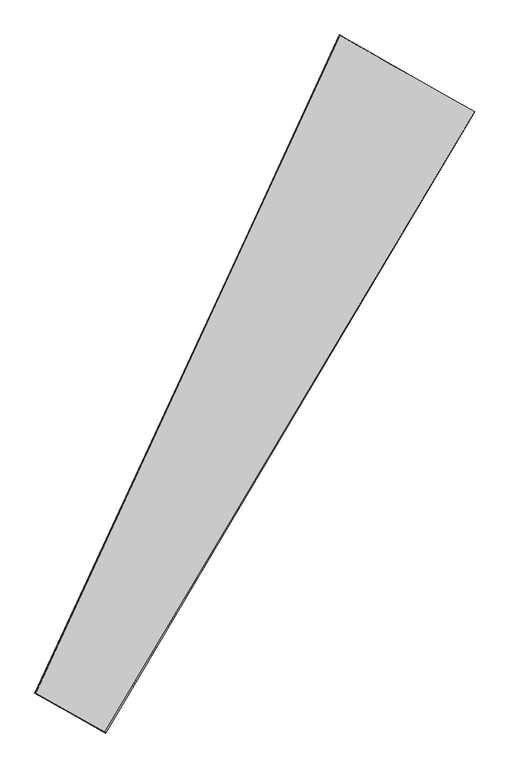
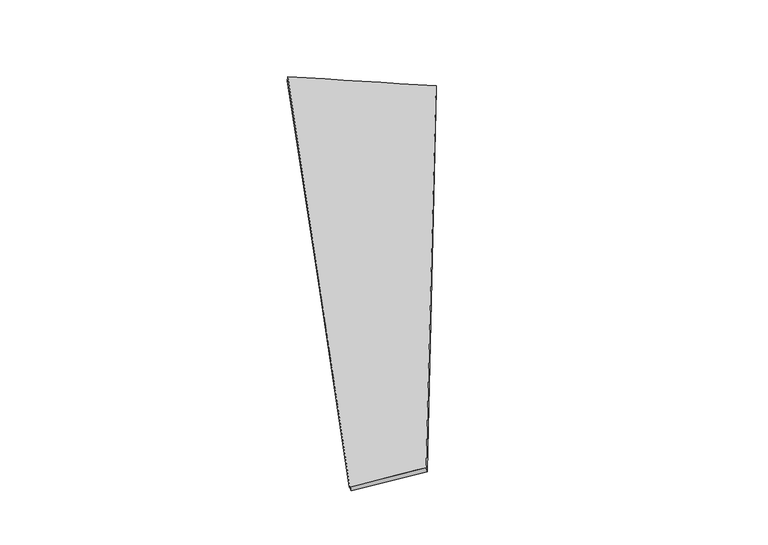
"""IFC4 building model written with IfcOpenShell, lengths in millimetres: proxy geometry."""

from ifc_helpers import new_model, si_unit, origin, place, context, project, spatial, source, transform, mapped, element, save
from ifc_brep_helpers import spline_surface, advanced_brep


def generic_models_ee1f4f6f(model_context):
    return source(origin(), model_context, "Body", "AdvancedBrep", [
        advanced_brep(
        [(-666.1823813, -1687.6620325, 66.8178886), (-660.4197896, -1691.9614198, 37.6921645), (1382.1005388, 1747.1803271, -64.4747105), (1384.0264006, 1746.9141689, -34.5377732), (-1044.5380896, -1474.2869047, -95.0354743), (633.7687993, 2173.3676603, 4.6434589), (-1053.9397998, -1470.7101442, -66.7721654), (636.0957804, 2171.4580079, 34.4920499)],
        [
            (0, 1),
            (1, 2),
            (2, 3),
            (3, 0),
            (1, 4),
            (4, 5),
            (5, 2),
            (4, 6),
            (6, 7),
            (7, 5),
            (6, 0),
            (3, 7),
        ],
        [
            spline_surface(1, 1, [[(-666.1823813, -1687.6620325, 66.8178886), (1384.0264006, 1746.9141689, -34.5377732)], [(-660.4197896, -1691.9614198, 37.6921645), (1382.1005388, 1747.1803271, -64.4747105)]], [2, 2], [2, 2], [0.0, 1.0], [0.0, 1.0]),
            spline_surface(1, 1, [[(-660.4197896, -1691.9614198, 37.6921645), (1382.1005388, 1747.1803271, -64.4747105)], [(-1044.5380896, -1474.2869047, -95.0354743), (633.7687993, 2173.3676603, 4.6434589)]], [2, 2], [2, 2], [0.0, 1.0], [0.0, 1.0]),
            spline_surface(1, 1, [[(-1044.5380896, -1474.2869047, -95.0354743), (633.7687993, 2173.3676603, 4.6434589)], [(-1053.9397998, -1470.7101442, -66.7721654), (636.0957804, 2171.4580079, 34.4920499)]], [2, 2], [2, 2], [0.0, 1.0], [0.0, 1.0]),
            spline_surface(1, 1, [[(-1053.9397998, -1470.7101442, -66.7721654), (636.0957804, 2171.4580079, 34.4920499)], [(-666.1823813, -1687.6620325, 66.8178886), (1384.0264006, 1746.9141689, -34.5377732)]], [2, 2], [2, 2], [0.0, 1.0], [0.0, 1.0]),
            spline_surface(1, 1, [[(1382.1005388, 1747.1803271, -64.4747105), (1384.0264006, 1746.9141689, -34.5377732)], [(633.7687993, 2173.3676603, 4.6434589), (636.0957804, 2171.4580079, 34.4920499)]], [2, 2], [2, 2], [0.0, 1.0], [0.0, 1.0]),
            spline_surface(1, 1, [[(-1053.9397998, -1470.7101442, -66.7721654), (-666.1823813, -1687.6620325, 66.8178886)], [(-1044.5380896, -1474.2869047, -95.0354743), (-660.4197896, -1691.9614198, 37.6921645)]], [2, 2], [2, 2], [0.0, 1.0], [0.0, 1.0]),
        ],
        [
            (0, [[1, 2, 3, 4]]),
            (1, [[5, 6, 7, -2]]),
            (2, [[8, 9, 10, -6]]),
            (3, [[11, -4, 12, -9]]),
            (4, [[-3, -7, -10, -12]]),
            (5, [[-11, -8, -5, -1]]),
        ],
    ),
    ])


if __name__ == "__main__":
    model = new_model("IFC4")
    model_context = context("Model", 3, world=origin())
    ifc_project = project(units=[si_unit("LENGTHUNIT", "METRE", prefix="MILLI")], contexts=[model_context])
    site = spatial("IfcSite", under=ifc_project)
    building = spatial("IfcBuilding", under=site)
    placement = place(None, origin())
    generic_models_shape = generic_models_ee1f4f6f(model_context)
    element("IfcBuildingElementProxy", 1, Name="Generic Models", at=placement, inside=building, context=model_context, shape_type="MappedRepresentation", body=[
        mapped(generic_models_shape, transform((0.0, 0.0, 0.0), x_axis=(1.0, 0.0, 0.0), y_axis=(0.0, 1.0, 0.0), z_axis=(0.0, 0.0, 1.0))),
    ])
    save(model, "model.ifc")
